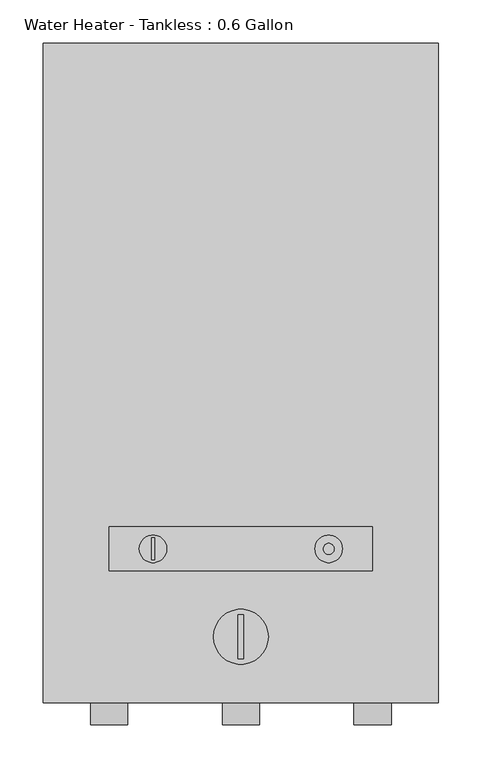
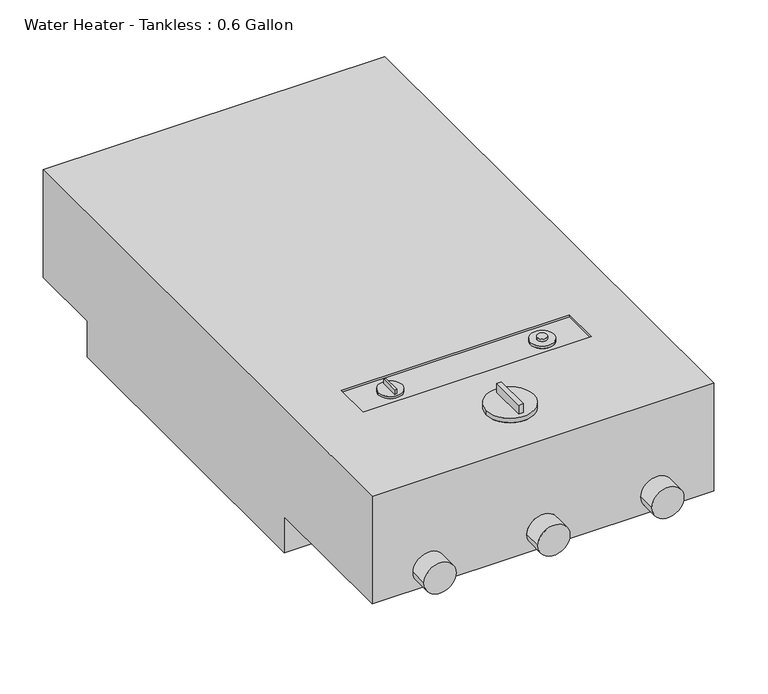
"""IFC4 building model written with IfcOpenShell, lengths in millimetres: proxy geometry, Water Heater - Tankless : 0.6 Gallon."""

from ifc_helpers import new_model, si_unit, point, frame, frame_2d, origin, place, context, project, spatial, circle_curve, trimmed, segment, composite_curve, outline, extrude, source, transform, mapped, element, save
from ifc_brep_helpers import plane_surface, cylinder_surface, advanced_brep


def water_heater_tankless_0_6_gallon_4da5c561(model_context):
    return source(origin(), model_context, "Body", "SolidModel", [
        advanced_brep(
        [(228.6, 762.0, 50.8), (228.6, 762.0, 203.2), (228.6, 0.0, 203.2), (228.6, 0.0, 50.8), (228.6, 203.2, 50.8), (228.6, 203.2, 0.0), (228.6, 660.4, 0.0), (228.6, 660.4, 50.8), (-228.6, 762.0, 50.8), (-228.6, 660.4, 50.8), (-228.6, 660.4, 0.0), (-228.6, 203.2, 0.0), (-228.6, 203.2, 50.8), (-228.6, 0.0, 50.8), (-228.6, 0.0, 203.2), (-228.6, 762.0, 203.2), (-152.4, 203.2, 203.2), (152.4, 203.2, 203.2), (152.4, 152.4, 203.2), (-152.4, 152.4, 203.2), (31.75, 76.2, 203.2), (-31.75, 76.2, 203.2), (-130.96875, 0.0, 76.2), (-173.83125, 0.0, 76.2), (21.43125, 0.0, 76.2), (-21.43125, 0.0, 76.2), (173.83125, 0.0, 76.2), (130.96875, 0.0, 76.2), (152.4, 203.2, 200.025), (-152.4, 203.2, 200.025), (-152.4, 152.4, 200.025), (152.4, 152.4, 200.025), (-85.725, 177.8, 200.025), (-117.475, 177.8, 200.025), (117.475, 177.8, 200.025), (85.725, 177.8, 200.025), (-173.83125, -25.4, 76.2), (-130.96875, -25.4, 76.2), (-21.43125, -25.4, 76.2), (21.43125, -25.4, 76.2), (130.96875, -25.4, 76.2), (173.83125, -25.4, 76.2), (-117.475, 177.8, 203.2), (-85.725, 177.8, 203.2), (-103.1875, 190.5, 203.2), (-100.0125, 190.5, 203.2), (-100.0125, 165.1, 203.2), (-103.1875, 165.1, 203.2), (85.725, 177.8, 203.2), (117.475, 177.8, 203.2), (107.95, 177.8, 203.2), (95.25, 177.8, 203.2), (95.25, 177.8, 206.375), (107.95, 177.8, 206.375), (-100.0125, 190.5, 209.55), (-103.1875, 190.5, 209.55), (-103.1875, 165.1, 209.55), (-100.0125, 165.1, 209.55), (-31.75, 76.2, 209.55), (31.75, 76.2, 209.55), (-3.175, 101.6, 209.55), (3.175, 101.6, 209.55), (3.175, 50.8, 209.55), (-3.175, 50.8, 209.55), (3.175, 101.6, 222.25), (-3.175, 101.6, 222.25), (-3.175, 50.8, 222.25), (3.175, 50.8, 222.25)],
        [
            (0, 1),
            (1, 2),
            (2, 3),
            (3, 4),
            (4, 5),
            (5, 6),
            (6, 7),
            (7, 0),
            (8, 9),
            (9, 10),
            (10, 11),
            (11, 12),
            (12, 13),
            (13, 14),
            (14, 15),
            (15, 8),
            (0, 8),
            (15, 1),
            (14, 2),
            (16, 17),
            (17, 18),
            (18, 19),
            (19, 16),
            (20, 21, circle_curve(frame((0.0, 76.2, 203.2), z_axis=(0.0, 0.0, -1.0), x_axis=(1.0, 0.0, 0.0)), 31.75)),
            (21, 20, circle_curve(frame((0.0, 76.2, 203.2), z_axis=(0.0, 0.0, -1.0), x_axis=(1.0, 0.0, 0.0)), 31.75)),
            (13, 3),
            (22, 23, circle_curve(frame((-152.4, 0.0, 76.2), z_axis=(0.0, 1.0, 0.0), x_axis=(1.0, 0.0, 0.0)), 21.43125)),
            (23, 22, circle_curve(frame((-152.4, 0.0, 76.2), z_axis=(0.0, 1.0, 0.0), x_axis=(1.0, 0.0, 0.0)), 21.43125)),
            (24, 25, circle_curve(frame((0.0, 0.0, 76.2), z_axis=(0.0, 1.0, 0.0), x_axis=(1.0, 0.0, 0.0)), 21.43125)),
            (25, 24, circle_curve(frame((0.0, 0.0, 76.2), z_axis=(0.0, 1.0, 0.0), x_axis=(1.0, 0.0, 0.0)), 21.43125)),
            (26, 27, circle_curve(frame((152.4, 0.0, 76.2), z_axis=(0.0, 1.0, 0.0), x_axis=(1.0, 0.0, 0.0)), 21.43125)),
            (27, 26, circle_curve(frame((152.4, 0.0, 76.2), z_axis=(0.0, 1.0, 0.0), x_axis=(1.0, 0.0, 0.0)), 21.43125)),
            (12, 4),
            (11, 5),
            (10, 6),
            (9, 7),
            (28, 29),
            (29, 30),
            (30, 31),
            (31, 28),
            (32, 33, circle_curve(frame((-101.6, 177.8, 200.025), z_axis=(0.0, 0.0, -1.0), x_axis=(1.0, 0.0, 0.0)), 15.875)),
            (33, 32, circle_curve(frame((-101.6, 177.8, 200.025), z_axis=(0.0, 0.0, -1.0), x_axis=(1.0, 0.0, 0.0)), 15.875)),
            (34, 35, circle_curve(frame((101.6, 177.8, 200.025), z_axis=(0.0, 0.0, -1.0), x_axis=(1.0, 0.0, 0.0)), 15.875)),
            (35, 34, circle_curve(frame((101.6, 177.8, 200.025), z_axis=(0.0, 0.0, -1.0), x_axis=(1.0, 0.0, 0.0)), 15.875)),
            (28, 17),
            (16, 29),
            (19, 30),
            (18, 31),
            (36, 37, circle_curve(frame((-152.4, -25.4, 76.2), z_axis=(0.0, -1.0, 0.0), x_axis=(1.0, 0.0, 0.0)), 21.43125)),
            (37, 36, circle_curve(frame((-152.4, -25.4, 76.2), z_axis=(0.0, -1.0, 0.0), x_axis=(1.0, 0.0, 0.0)), 21.43125)),
            (38, 39, circle_curve(frame((0.0, -25.4, 76.2), z_axis=(0.0, -1.0, 0.0), x_axis=(1.0, 0.0, 0.0)), 21.43125)),
            (39, 38, circle_curve(frame((0.0, -25.4, 76.2), z_axis=(0.0, -1.0, 0.0), x_axis=(1.0, 0.0, 0.0)), 21.43125)),
            (40, 41, circle_curve(frame((152.4, -25.4, 76.2), z_axis=(0.0, -1.0, 0.0), x_axis=(1.0, 0.0, 0.0)), 21.43125)),
            (41, 40, circle_curve(frame((152.4, -25.4, 76.2), z_axis=(0.0, -1.0, 0.0), x_axis=(1.0, 0.0, 0.0)), 21.43125)),
            (36, 23),
            (22, 37),
            (38, 25),
            (24, 39),
            (40, 27),
            (26, 41),
            (42, 43, circle_curve(frame((-101.6, 177.8, 203.2), z_axis=(0.0, 0.0, 1.0), x_axis=(1.0, 0.0, 0.0)), 15.875)),
            (43, 42, circle_curve(frame((-101.6, 177.8, 203.2), z_axis=(0.0, 0.0, 1.0), x_axis=(1.0, 0.0, 0.0)), 15.875)),
            (44, 45),
            (45, 46),
            (46, 47),
            (47, 44),
            (48, 49, circle_curve(frame((101.6, 177.8, 203.2), z_axis=(0.0, 0.0, 1.0), x_axis=(1.0, 0.0, 0.0)), 15.875)),
            (49, 48, circle_curve(frame((101.6, 177.8, 203.2), z_axis=(0.0, 0.0, 1.0), x_axis=(1.0, 0.0, 0.0)), 15.875)),
            (50, 51, circle_curve(frame((101.6, 177.8, 203.2), z_axis=(0.0, 0.0, -1.0), x_axis=(1.0, 0.0, 0.0)), 6.35)),
            (51, 50, circle_curve(frame((101.6, 177.8, 203.2), z_axis=(0.0, 0.0, -1.0), x_axis=(1.0, 0.0, 0.0)), 6.35)),
            (42, 33),
            (32, 43),
            (48, 35),
            (34, 49),
            (52, 53, circle_curve(frame((101.6, 177.8, 206.375), z_axis=(0.0, 0.0, 1.0), x_axis=(1.0, 0.0, 0.0)), 6.35)),
            (53, 52, circle_curve(frame((101.6, 177.8, 206.375), z_axis=(0.0, 0.0, 1.0), x_axis=(1.0, 0.0, 0.0)), 6.35)),
            (52, 51),
            (50, 53),
            (54, 55),
            (55, 56),
            (56, 57),
            (57, 54),
            (54, 45),
            (44, 55),
            (47, 56),
            (46, 57),
            (58, 59, circle_curve(frame((0.0, 76.2, 209.55), z_axis=(0.0, 0.0, 1.0), x_axis=(1.0, 0.0, 0.0)), 31.75)),
            (59, 58, circle_curve(frame((0.0, 76.2, 209.55), z_axis=(0.0, 0.0, 1.0), x_axis=(1.0, 0.0, 0.0)), 31.75)),
            (60, 61),
            (61, 62),
            (62, 63),
            (63, 60),
            (58, 21),
            (20, 59),
            (64, 65),
            (65, 66),
            (66, 67),
            (67, 64),
            (64, 61),
            (60, 65),
            (63, 66),
            (62, 67),
        ],
        [
            plane_surface(frame((228.6, 762.0, 203.2), z_axis=(1.0, 0.0, 0.0), x_axis=(0.0, 0.0, 1.0))),
            plane_surface(frame((-228.6, 762.0, 203.2), z_axis=(-1.0, 0.0, 0.0), x_axis=(0.0, 0.0, -1.0))),
            plane_surface(frame((228.6, 762.0, 50.8), z_axis=(0.0, 1.0, 0.0), x_axis=(-1.0, 0.0, 0.0))),
            plane_surface(frame((228.6, 762.0, 203.2), z_axis=(0.0, 0.0, 1.0), x_axis=(-1.0, 0.0, 0.0))),
            plane_surface(frame((228.6, 0.0, 203.2), z_axis=(0.0, -1.0, 0.0), x_axis=(-1.0, 0.0, 0.0))),
            plane_surface(frame((228.6, 0.0, 50.8), z_axis=(0.0, 0.0, -1.0), x_axis=(-1.0, 0.0, 0.0))),
            plane_surface(frame((228.6, 203.2, 50.8), z_axis=(0.0, -1.0, 0.0), x_axis=(-1.0, 0.0, 0.0))),
            plane_surface(frame((228.6, 203.2, 0.0), z_axis=(0.0, 0.0, -1.0), x_axis=(-1.0, 0.0, 0.0))),
            plane_surface(frame((228.6, 660.4, 0.0), z_axis=(0.0, 1.0, 0.0), x_axis=(-1.0, 0.0, 0.0))),
            plane_surface(frame((228.6, 660.4, 50.8), z_axis=(0.0, 0.0, -1.0), x_axis=(-1.0, 0.0, 0.0))),
            plane_surface(frame((-152.4, 203.2, 200.025), z_axis=(0.0, 0.0, 1.0), x_axis=(1.0, 0.0, 0.0))),
            plane_surface(frame((152.4, 203.2, 203.2), z_axis=(0.0, -1.0, 0.0), x_axis=(0.0, 0.0, -1.0))),
            plane_surface(frame((-152.4, 203.2, 203.2), z_axis=(1.0, 0.0, 0.0), x_axis=(0.0, 0.0, -1.0))),
            plane_surface(frame((-152.4, 152.4, 203.2), z_axis=(0.0, 1.0, 0.0), x_axis=(0.0, 0.0, -1.0))),
            plane_surface(frame((152.4, 152.4, 203.2), z_axis=(-1.0, 0.0, 0.0), x_axis=(0.0, 0.0, -1.0))),
            plane_surface(frame((-130.96875, -25.4, 76.2), z_axis=(0.0, -1.0, 0.0), x_axis=(0.0, 0.0, 1.0))),
            cylinder_surface(frame((-152.4, 0.0, 76.2), z_axis=(0.0, -1.0, 0.0), x_axis=(1.0, 0.0, 0.0)), 21.43125),
            cylinder_surface(frame((0.0, 0.0, 76.2), z_axis=(0.0, -1.0, 0.0), x_axis=(1.0, 0.0, 0.0)), 21.43125),
            cylinder_surface(frame((152.4, 0.0, 76.2), z_axis=(0.0, -1.0, 0.0), x_axis=(1.0, 0.0, 0.0)), 21.43125),
            plane_surface(frame((-85.725, 177.8, 203.2), z_axis=(0.0, 0.0, 1.0), x_axis=(0.0, 1.0, 0.0))),
            cylinder_surface(frame((-101.6, 177.8, 200.025), z_axis=(0.0, 0.0, 1.0), x_axis=(1.0, 0.0, 0.0)), 15.875),
            cylinder_surface(frame((101.6, 177.8, 0.0), z_axis=(0.0, 0.0, 1.0), x_axis=(1.0, 0.0, 0.0)), 15.875),
            plane_surface(frame((107.95, 177.8, 206.375), z_axis=(0.0, 0.0, 1.0), x_axis=(0.0, 1.0, 0.0))),
            cylinder_surface(frame((101.6, 177.8, 203.2), z_axis=(0.0, 0.0, 1.0), x_axis=(1.0, 0.0, 0.0)), 6.35),
            plane_surface(frame((-103.1875, 190.5, 209.55), z_axis=(0.0, 0.0, 1.0), x_axis=(-1.0, 0.0, 0.0))),
            plane_surface(frame((-100.0125, 190.5, 209.55), z_axis=(0.0, 1.0, 0.0), x_axis=(0.0, 0.0, -1.0))),
            plane_surface(frame((-103.1875, 190.5, 209.55), z_axis=(-1.0, 0.0, 0.0), x_axis=(0.0, 0.0, -1.0))),
            plane_surface(frame((-103.1875, 165.1, 209.55), z_axis=(0.0, -1.0, 0.0), x_axis=(0.0, 0.0, -1.0))),
            plane_surface(frame((-100.0125, 165.1, 209.55), z_axis=(1.0, 0.0, 0.0), x_axis=(0.0, 0.0, -1.0))),
            plane_surface(frame((31.75, 76.2, 209.55), z_axis=(0.0, 0.0, 1.0), x_axis=(0.0, 1.0, 0.0))),
            cylinder_surface(frame((0.0, 76.2, 203.2), z_axis=(0.0, 0.0, 1.0), x_axis=(1.0, 0.0, 0.0)), 31.75),
            plane_surface(frame((-3.175, 101.6, 222.25), z_axis=(0.0, 0.0, 1.0), x_axis=(-1.0, 0.0, 0.0))),
            plane_surface(frame((3.175, 101.6, 222.25), z_axis=(0.0, 1.0, 0.0), x_axis=(0.0, 0.0, -1.0))),
            plane_surface(frame((-3.175, 101.6, 222.25), z_axis=(-1.0, 0.0, 0.0), x_axis=(0.0, 0.0, -1.0))),
            plane_surface(frame((-3.175, 50.8, 222.25), z_axis=(0.0, -1.0, 0.0), x_axis=(0.0, 0.0, -1.0))),
            plane_surface(frame((3.175, 50.8, 222.25), z_axis=(1.0, 0.0, 0.0), x_axis=(0.0, 0.0, -1.0))),
        ],
        [
            (0, [[1, 2, 3, 4, 5, 6, 7, 8]]),
            (1, [[9, 10, 11, 12, 13, 14, 15, 16]]),
            (2, [[-1, 17, -16, 18]]),
            (3, [[-2, -18, -15, 19], [20, 21, 22, 23], [24, 25]]),
            (4, [[-3, -19, -14, 26], [27, 28], [29, 30], [31, 32]]),
            (5, [[-4, -26, -13, 33]]),
            (6, [[-5, -33, -12, 34]]),
            (7, [[-6, -34, -11, 35]]),
            (8, [[-7, -35, -10, 36]]),
            (9, [[-8, -36, -9, -17]]),
            (10, [[37, 38, 39, 40], [41, 42], [43, 44]]),
            (11, [[-37, 45, -20, 46]]),
            (12, [[-38, -46, -23, 47]]),
            (13, [[-39, -47, -22, 48]]),
            (14, [[-40, -48, -21, -45]]),
            (15, [[49, 50]]),
            (15, [[51, 52]]),
            (15, [[53, 54]]),
            (16, [[-49, 55, -27, 56]]),
            (16, [[-50, -56, -28, -55]]),
            (17, [[-51, 57, -29, 58]]),
            (17, [[-52, -58, -30, -57]]),
            (18, [[-53, 59, -31, 60]]),
            (18, [[-54, -60, -32, -59]]),
            (19, [[61, 62], [63, 64, 65, 66]]),
            (19, [[67, 68], [69, 70]]),
            (20, [[-61, 71, -41, 72]]),
            (20, [[-62, -72, -42, -71]]),
            (21, [[-67, 73, -43, 74]]),
            (21, [[-68, -74, -44, -73]]),
            (22, [[75, 76]]),
            (23, [[-75, 77, -69, 78]]),
            (23, [[-76, -78, -70, -77]]),
            (24, [[79, 80, 81, 82]]),
            (25, [[-79, 83, -63, 84]]),
            (26, [[-80, -84, -66, 85]]),
            (27, [[-81, -85, -65, 86]]),
            (28, [[-82, -86, -64, -83]]),
            (29, [[87, 88], [89, 90, 91, 92]]),
            (30, [[-87, 93, -24, 94]]),
            (30, [[-88, -94, -25, -93]]),
            (31, [[95, 96, 97, 98]]),
            (32, [[-95, 99, -89, 100]]),
            (33, [[-96, -100, -92, 101]]),
            (34, [[-97, -101, -91, 102]]),
            (35, [[-98, -102, -90, -99]]),
        ],
    ),
        extrude(outline(composite_curve([segment(trimmed(circle_curve(frame_2d((0.0, 152.4)), 3.175), [point((-3.175, 152.4))], [point((3.175, 152.4))], False, "CARTESIAN"), True, "CONTINUOUS"), segment(trimmed(circle_curve(frame_2d((0.0, 152.4)), 3.175), [point((3.175, 152.4))], [point((-3.175, 152.4))], False, "CARTESIAN"), True, "CONTINUOUS")], self_intersect=False)), frame((0.0, 0.0, 50.8), z_axis=(0.0, 0.0, 1.0), x_axis=(1.0, 0.0, 0.0)), (0.0, 0.0, 1.0), 25.4),
    ])


if __name__ == "__main__":
    model = new_model("IFC4")
    model_context = context("Model", 3, world=origin())
    ifc_project = project(units=[si_unit("LENGTHUNIT", "METRE", prefix="MILLI")], contexts=[model_context])
    site = spatial("IfcSite", under=ifc_project)
    building = spatial("IfcBuilding", under=site)
    placement = place(None, origin())
    water_heater_tankless_0_6_gallon_shape = water_heater_tankless_0_6_gallon_4da5c561(model_context)
    element("IfcBuildingElementProxy", 1, Name="Water Heater - Tankless : 0.6 Gallon", ObjectType="Water Heater - Tankless : 0.6 Gallon", at=placement, inside=building, context=model_context, shape_type="MappedRepresentation", body=[
        mapped(water_heater_tankless_0_6_gallon_shape, transform((0.0, 0.0, 0.0), x_axis=(1.0, 0.0, 0.0), y_axis=(0.0, 1.0, 0.0), z_axis=(0.0, 0.0, 1.0))),
    ])
    save(model, "model.ifc")
